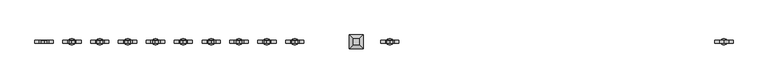
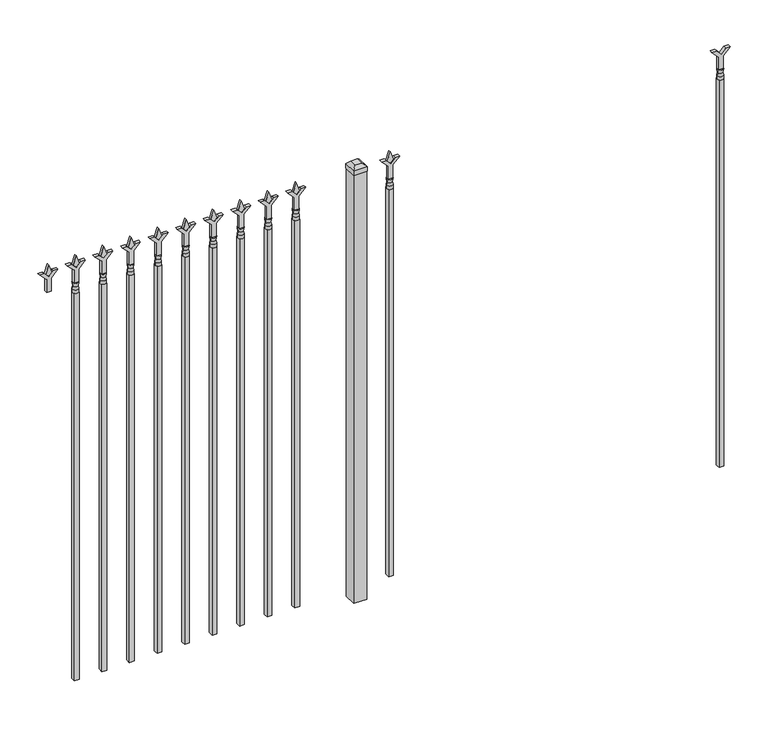
"""IFC4 building model written with IfcOpenShell, lengths in millimetres: railing geometry."""

from ifc_helpers import new_model, si_unit, frame, origin, origin_with_axes, place, context, project, spatial, polyline, circle_curve, outline, extrude, faceted_brep, source, transform, mapped, element, save
from ifc_brep_helpers import plane_surface, cylinder_surface, revolved_surface, advanced_brep


def railing_1ae06a62(model_context):
    return source(origin(), model_context, "Body", "SolidModel", [
        extrude(outline(polyline([(1717.675, -64414.749337), (1771.9457378, -64414.749337), (1799.1355122, -64387.5595625), (1799.1355122, -64405.5200747), (1781.175, -64423.480587), (1799.1355122, -64441.4410992), (1799.1355122, -64459.4016114), (1771.9457378, -64432.211837), (1717.675, -64432.211837), (1717.675, -64414.749337)])), frame((0.0, -9176.0070174, 0.0), z_axis=(0.0, 1.0, 0.0), x_axis=(0.0, 0.0, 1.0)), (0.0, 0.0, 1.0), 12.7),
        advanced_brep(
        [(-64411.574337, -9169.6570174, 1689.1), (-64435.386837, -9169.6570174, 1689.1), (-64435.386837, -9169.6570174, 1676.4), (-64411.574337, -9169.6570174, 1676.4), (-64413.7796688, -9169.6570174, 1701.6070585), (-64433.1815051, -9169.6570174, 1701.6070585), (-64411.574337, -9169.6570174, 1717.675), (-64435.386837, -9169.6570174, 1717.675), (-64423.480587, -9169.6570174, 1717.675), (-64423.480587, -9169.6570174, 1676.4)],
        [
            (0, 1, circle_curve(frame((-64423.480587, -9169.6570174, 1689.1), z_axis=(0.0, 0.0, -1.0), x_axis=(-1.0, 0.0, 0.0)), 11.90625)),
            (1, 2),
            (2, 3, circle_curve(frame((-64423.480587, -9169.6570174, 1676.4), z_axis=(0.0, 0.0, 1.0), x_axis=(-1.0, 0.0, 0.0)), 11.90625)),
            (3, 0),
            (1, 0, circle_curve(frame((-64423.480587, -9169.6570174, 1689.1), z_axis=(0.0, 0.0, -1.0), x_axis=(-1.0, 0.0, 0.0)), 11.90625)),
            (3, 2, circle_curve(frame((-64423.480587, -9169.6570174, 1676.4), z_axis=(0.0, 0.0, 1.0), x_axis=(-1.0, 0.0, 0.0)), 11.90625)),
            (4, 5, circle_curve(frame((-64423.480587, -9169.6570174, 1701.6070585), z_axis=(0.0, 0.0, -1.0), x_axis=(-1.0, 0.0, 0.0)), 9.7009181)),
            (5, 1),
            (0, 4),
            (5, 4, circle_curve(frame((-64423.480587, -9169.6570174, 1701.6070585), z_axis=(0.0, 0.0, -1.0), x_axis=(-1.0, 0.0, 0.0)), 9.7009181)),
            (6, 7, circle_curve(frame((-64423.480587, -9169.6570174, 1717.675), z_axis=(0.0, 0.0, -1.0), x_axis=(-1.0, 0.0, 0.0)), 11.90625)),
            (7, 5),
            (4, 6),
            (7, 6, circle_curve(frame((-64423.480587, -9169.6570174, 1717.675), z_axis=(0.0, 0.0, -1.0), x_axis=(-1.0, 0.0, 0.0)), 11.90625)),
            (8, 7),
            (6, 8),
            (2, 9),
            (9, 3),
        ],
        [
            cylinder_surface(frame((-64423.480587, -9169.6570174, 1676.4), z_axis=(0.0, 0.0, 1.0), x_axis=(-1.0, 0.0, 0.0)), 11.90625),
            revolved_surface(polyline([(-64435.386837, -9169.6570174, 1689.1), (-64433.1815051, -9169.6570174, 1701.6070585)]), (-64423.480587, -9169.6570174, 1676.4), (0.0, 0.0, 1.0)),
            revolved_surface(polyline([(-64433.1815051, -9169.6570174, 1701.6070585), (-64435.386837, -9169.6570174, 1717.675)]), (-64423.480587, -9169.6570174, 1676.4), (0.0, 0.0, 1.0)),
            plane_surface(frame((-64423.480587, -9169.6570174, 1717.675), z_axis=(0.0, 0.0, 1.0), x_axis=(-1.0, 0.0, 0.0))),
            plane_surface(frame((-64423.480587, -9169.6570174, 1676.4), z_axis=(0.0, 0.0, -1.0), x_axis=(-1.0, 0.0, 0.0))),
        ],
        [
            (0, [[1, 2, 3, 4]]),
            (0, [[5, -4, 6, -2]]),
            (1, [[7, 8, -1, 9]]),
            (1, [[10, -9, -5, -8]]),
            (2, [[11, 12, -7, 13]]),
            (2, [[14, -13, -10, -12]]),
            (3, [[15, -11, 16]]),
            (3, [[-16, -14, -15]]),
            (4, [[-3, 17, 18]]),
            (4, [[-6, -18, -17]]),
        ],
    ),
        extrude(outline(polyline([(-64433.005587, -9160.1320174), (-64413.955587, -9160.1320174), (-64413.955587, -9179.1820174), (-64433.005587, -9179.1820174), (-64433.005587, -9160.1320174)])), frame((0.0, 0.0, 50.8), z_axis=(0.0, 0.0, 1.0), x_axis=(1.0, 0.0, 0.0)), (0.0, 0.0, 1.0), 1625.6),
        extrude(outline(polyline([(1793.08125, -65722.849337), (1828.8, -65734.755587), (1793.08125, -65746.661837), (1781.175, -65734.755587), (1793.08125, -65722.849337)])), frame((0.0, -9174.4195174, 0.0), z_axis=(0.0, 1.0, 0.0), x_axis=(0.0, 0.0, 1.0)), (0.0, 0.0, 1.0), 9.525),
        extrude(outline(polyline([(1717.675, -65726.024337), (1771.9457378, -65726.024337), (1799.1355122, -65698.8345625), (1799.1355122, -65716.7950747), (1781.175, -65734.755587), (1799.1355122, -65752.7160992), (1799.1355122, -65770.6766114), (1771.9457378, -65743.486837), (1717.675, -65743.486837), (1717.675, -65726.024337)])), frame((0.0, -9176.0070174, 0.0), z_axis=(0.0, 1.0, 0.0), x_axis=(0.0, 0.0, 1.0)), (0.0, 0.0, 1.0), 12.7),
        advanced_brep(
        [(-65722.849337, -9169.6570174, 1689.1), (-65746.661837, -9169.6570174, 1689.1), (-65746.661837, -9169.6570174, 1676.4), (-65722.849337, -9169.6570174, 1676.4), (-65725.0546688, -9169.6570174, 1701.6070585), (-65744.4565051, -9169.6570174, 1701.6070585), (-65722.849337, -9169.6570174, 1717.675), (-65746.661837, -9169.6570174, 1717.675), (-65734.755587, -9169.6570174, 1717.675), (-65734.755587, -9169.6570174, 1676.4)],
        [
            (0, 1, circle_curve(frame((-65734.755587, -9169.6570174, 1689.1), z_axis=(0.0, 0.0, -1.0), x_axis=(-1.0, 0.0, 0.0)), 11.90625)),
            (1, 2),
            (2, 3, circle_curve(frame((-65734.755587, -9169.6570174, 1676.4), z_axis=(0.0, 0.0, 1.0), x_axis=(-1.0, 0.0, 0.0)), 11.90625)),
            (3, 0),
            (1, 0, circle_curve(frame((-65734.755587, -9169.6570174, 1689.1), z_axis=(0.0, 0.0, -1.0), x_axis=(-1.0, 0.0, 0.0)), 11.90625)),
            (3, 2, circle_curve(frame((-65734.755587, -9169.6570174, 1676.4), z_axis=(0.0, 0.0, 1.0), x_axis=(-1.0, 0.0, 0.0)), 11.90625)),
            (4, 5, circle_curve(frame((-65734.755587, -9169.6570174, 1701.6070585), z_axis=(0.0, 0.0, -1.0), x_axis=(-1.0, 0.0, 0.0)), 9.7009181)),
            (5, 1),
            (0, 4),
            (5, 4, circle_curve(frame((-65734.755587, -9169.6570174, 1701.6070585), z_axis=(0.0, 0.0, -1.0), x_axis=(-1.0, 0.0, 0.0)), 9.7009181)),
            (6, 7, circle_curve(frame((-65734.755587, -9169.6570174, 1717.675), z_axis=(0.0, 0.0, -1.0), x_axis=(-1.0, 0.0, 0.0)), 11.90625)),
            (7, 5),
            (4, 6),
            (7, 6, circle_curve(frame((-65734.755587, -9169.6570174, 1717.675), z_axis=(0.0, 0.0, -1.0), x_axis=(-1.0, 0.0, 0.0)), 11.90625)),
            (8, 7),
            (6, 8),
            (2, 9),
            (9, 3),
        ],
        [
            cylinder_surface(frame((-65734.755587, -9169.6570174, 1676.4), z_axis=(0.0, 0.0, 1.0), x_axis=(-1.0, 0.0, 0.0)), 11.90625),
            revolved_surface(polyline([(-65746.661837, -9169.6570174, 1689.1), (-65744.4565051, -9169.6570174, 1701.6070585)]), (-65734.755587, -9169.6570174, 1676.4), (0.0, 0.0, 1.0)),
            revolved_surface(polyline([(-65744.4565051, -9169.6570174, 1701.6070585), (-65746.661837, -9169.6570174, 1717.675)]), (-65734.755587, -9169.6570174, 1676.4), (0.0, 0.0, 1.0)),
            plane_surface(frame((-65734.755587, -9169.6570174, 1717.675), z_axis=(0.0, 0.0, 1.0), x_axis=(-1.0, 0.0, 0.0))),
            plane_surface(frame((-65734.755587, -9169.6570174, 1676.4), z_axis=(0.0, 0.0, -1.0), x_axis=(-1.0, 0.0, 0.0))),
        ],
        [
            (0, [[1, 2, 3, 4]]),
            (0, [[5, -4, 6, -2]]),
            (1, [[7, 8, -1, 9]]),
            (1, [[10, -9, -5, -8]]),
            (2, [[11, 12, -7, 13]]),
            (2, [[14, -13, -10, -12]]),
            (3, [[15, -11, 16]]),
            (3, [[-16, -14, -15]]),
            (4, [[-3, 17, 18]]),
            (4, [[-6, -18, -17]]),
        ],
    ),
        extrude(outline(polyline([(-65744.280587, -9160.1320174), (-65725.230587, -9160.1320174), (-65725.230587, -9179.1820174), (-65744.280587, -9179.1820174), (-65744.280587, -9160.1320174)])), frame((0.0, 0.0, 50.8), z_axis=(0.0, 0.0, 1.0), x_axis=(1.0, 0.0, 0.0)), (0.0, 0.0, 1.0), 1625.6),
        extrude(outline(polyline([(-65841.118087, -9144.2570174), (-65841.118087, -9195.0570174), (-65891.918087, -9195.0570174), (-65891.918087, -9144.2570174), (-65841.118087, -9144.2570174)])), origin_with_axes(), (0.0, 0.0, 1.0), 1797.05),
        faceted_brep([(-65893.505587, -9142.6695174, 1816.1), (-65893.505587, -9142.6695174, 1797.05), (-65893.505587, -9196.6445174, 1797.05), (-65893.505587, -9196.6445174, 1816.1), (-65880.805587, -9155.3695174, 1828.8), (-65880.805587, -9183.9445174, 1828.8), (-65839.530587, -9196.6445174, 1797.05), (-65839.530587, -9196.6445174, 1816.1), (-65852.230587, -9183.9445174, 1828.8), (-65839.530587, -9142.6695174, 1797.05), (-65839.530587, -9142.6695174, 1816.1), (-65852.230587, -9155.3695174, 1828.8)], [[[0, 1, 2, 3]], [[4, 0, 3, 5]], [[3, 2, 6, 7]], [[5, 3, 7, 8]], [[7, 6, 9, 10]], [[8, 7, 10, 11]], [[10, 9, 1, 0]], [[11, 10, 0, 4]], [[5, 8, 11, 4]], [[1, 9, 6, 2]]]),
        extrude(outline(polyline([(1793.08125, -66095.6472536), (1828.8, -66107.5535036), (1793.08125, -66119.4597536), (1781.175, -66107.5535036), (1793.08125, -66095.6472536)])), frame((0.0, -9174.4195174, 0.0), z_axis=(0.0, 1.0, 0.0), x_axis=(0.0, 0.0, 1.0)), (0.0, 0.0, 1.0), 9.525),
        extrude(outline(polyline([(1717.675, -66098.8222536), (1771.9457378, -66098.8222536), (1799.1355122, -66071.6324791), (1799.1355122, -66089.5929914), (1781.175, -66107.5535036), (1799.1355122, -66125.5140159), (1799.1355122, -66143.4745281), (1771.9457378, -66116.2847536), (1717.675, -66116.2847536), (1717.675, -66098.8222536)])), frame((0.0, -9176.0070174, 0.0), z_axis=(0.0, 1.0, 0.0), x_axis=(0.0, 0.0, 1.0)), (0.0, 0.0, 1.0), 12.7),
        advanced_brep(
        [(-66095.6472536, -9169.6570174, 1689.1), (-66119.4597536, -9169.6570174, 1689.1), (-66119.4597536, -9169.6570174, 1676.4), (-66095.6472536, -9169.6570174, 1676.4), (-66097.8525855, -9169.6570174, 1701.6070585), (-66117.2544218, -9169.6570174, 1701.6070585), (-66095.6472536, -9169.6570174, 1717.675), (-66119.4597536, -9169.6570174, 1717.675), (-66107.5535036, -9169.6570174, 1717.675), (-66107.5535036, -9169.6570174, 1676.4)],
        [
            (0, 1, circle_curve(frame((-66107.5535036, -9169.6570174, 1689.1), z_axis=(0.0, 0.0, -1.0), x_axis=(-1.0, 0.0, 0.0)), 11.90625)),
            (1, 2),
            (2, 3, circle_curve(frame((-66107.5535036, -9169.6570174, 1676.4), z_axis=(0.0, 0.0, 1.0), x_axis=(-1.0, 0.0, 0.0)), 11.90625)),
            (3, 0),
            (1, 0, circle_curve(frame((-66107.5535036, -9169.6570174, 1689.1), z_axis=(0.0, 0.0, -1.0), x_axis=(-1.0, 0.0, 0.0)), 11.90625)),
            (3, 2, circle_curve(frame((-66107.5535036, -9169.6570174, 1676.4), z_axis=(0.0, 0.0, 1.0), x_axis=(-1.0, 0.0, 0.0)), 11.90625)),
            (4, 5, circle_curve(frame((-66107.5535036, -9169.6570174, 1701.6070585), z_axis=(0.0, 0.0, -1.0), x_axis=(-1.0, 0.0, 0.0)), 9.7009181)),
            (5, 1),
            (0, 4),
            (5, 4, circle_curve(frame((-66107.5535036, -9169.6570174, 1701.6070585), z_axis=(0.0, 0.0, -1.0), x_axis=(-1.0, 0.0, 0.0)), 9.7009181)),
            (6, 7, circle_curve(frame((-66107.5535036, -9169.6570174, 1717.675), z_axis=(0.0, 0.0, -1.0), x_axis=(-1.0, 0.0, 0.0)), 11.90625)),
            (7, 5),
            (4, 6),
            (7, 6, circle_curve(frame((-66107.5535036, -9169.6570174, 1717.675), z_axis=(0.0, 0.0, -1.0), x_axis=(-1.0, 0.0, 0.0)), 11.90625)),
            (8, 7),
            (6, 8),
            (2, 9),
            (9, 3),
        ],
        [
            cylinder_surface(frame((-66107.5535036, -9169.6570174, 1676.4), z_axis=(0.0, 0.0, 1.0), x_axis=(-1.0, 0.0, 0.0)), 11.90625),
            revolved_surface(polyline([(-66119.4597536, -9169.6570174, 1689.1), (-66117.2544218, -9169.6570174, 1701.6070585)]), (-66107.5535036, -9169.6570174, 1676.4), (0.0, 0.0, 1.0)),
            revolved_surface(polyline([(-66117.2544218, -9169.6570174, 1701.6070585), (-66119.4597536, -9169.6570174, 1717.675)]), (-66107.5535036, -9169.6570174, 1676.4), (0.0, 0.0, 1.0)),
            plane_surface(frame((-66107.5535036, -9169.6570174, 1717.675), z_axis=(0.0, 0.0, 1.0), x_axis=(-1.0, 0.0, 0.0))),
            plane_surface(frame((-66107.5535036, -9169.6570174, 1676.4), z_axis=(0.0, 0.0, -1.0), x_axis=(-1.0, 0.0, 0.0))),
        ],
        [
            (0, [[1, 2, 3, 4]]),
            (0, [[5, -4, 6, -2]]),
            (1, [[7, 8, -1, 9]]),
            (1, [[10, -9, -5, -8]]),
            (2, [[11, 12, -7, 13]]),
            (2, [[14, -13, -10, -12]]),
            (3, [[15, -11, 16]]),
            (3, [[-16, -14, -15]]),
            (4, [[-3, 17, 18]]),
            (4, [[-6, -18, -17]]),
        ],
    ),
        extrude(outline(polyline([(-66117.0785036, -9160.1320174), (-66098.0285036, -9160.1320174), (-66098.0285036, -9179.1820174), (-66117.0785036, -9179.1820174), (-66117.0785036, -9160.1320174)])), frame((0.0, 0.0, 50.8), z_axis=(0.0, 0.0, 1.0), x_axis=(1.0, 0.0, 0.0)), (0.0, 0.0, 1.0), 1625.6),
        extrude(outline(polyline([(1793.08125, -66204.9201703), (1828.8, -66216.8264203), (1793.08125, -66228.7326703), (1781.175, -66216.8264203), (1793.08125, -66204.9201703)])), frame((0.0, -9174.4195174, 0.0), z_axis=(0.0, 1.0, 0.0), x_axis=(0.0, 0.0, 1.0)), (0.0, 0.0, 1.0), 9.525),
        extrude(outline(polyline([(1717.675, -66208.0951703), (1771.9457378, -66208.0951703), (1799.1355122, -66180.9053958), (1799.1355122, -66198.8659081), (1781.175, -66216.8264203), (1799.1355122, -66234.7869325), (1799.1355122, -66252.7474448), (1771.9457378, -66225.5576703), (1717.675, -66225.5576703), (1717.675, -66208.0951703)])), frame((0.0, -9176.0070174, 0.0), z_axis=(0.0, 1.0, 0.0), x_axis=(0.0, 0.0, 1.0)), (0.0, 0.0, 1.0), 12.7),
        advanced_brep(
        [(-66204.9201703, -9169.6570174, 1689.1), (-66228.7326703, -9169.6570174, 1689.1), (-66228.7326703, -9169.6570174, 1676.4), (-66204.9201703, -9169.6570174, 1676.4), (-66207.1255022, -9169.6570174, 1701.6070585), (-66226.5273384, -9169.6570174, 1701.6070585), (-66204.9201703, -9169.6570174, 1717.675), (-66228.7326703, -9169.6570174, 1717.675), (-66216.8264203, -9169.6570174, 1717.675), (-66216.8264203, -9169.6570174, 1676.4)],
        [
            (0, 1, circle_curve(frame((-66216.8264203, -9169.6570174, 1689.1), z_axis=(0.0, 0.0, -1.0), x_axis=(-1.0, 0.0, 0.0)), 11.90625)),
            (1, 2),
            (2, 3, circle_curve(frame((-66216.8264203, -9169.6570174, 1676.4), z_axis=(0.0, 0.0, 1.0), x_axis=(-1.0, 0.0, 0.0)), 11.90625)),
            (3, 0),
            (1, 0, circle_curve(frame((-66216.8264203, -9169.6570174, 1689.1), z_axis=(0.0, 0.0, -1.0), x_axis=(-1.0, 0.0, 0.0)), 11.90625)),
            (3, 2, circle_curve(frame((-66216.8264203, -9169.6570174, 1676.4), z_axis=(0.0, 0.0, 1.0), x_axis=(-1.0, 0.0, 0.0)), 11.90625)),
            (4, 5, circle_curve(frame((-66216.8264203, -9169.6570174, 1701.6070585), z_axis=(0.0, 0.0, -1.0), x_axis=(-1.0, 0.0, 0.0)), 9.7009181)),
            (5, 1),
            (0, 4),
            (5, 4, circle_curve(frame((-66216.8264203, -9169.6570174, 1701.6070585), z_axis=(0.0, 0.0, -1.0), x_axis=(-1.0, 0.0, 0.0)), 9.7009181)),
            (6, 7, circle_curve(frame((-66216.8264203, -9169.6570174, 1717.675), z_axis=(0.0, 0.0, -1.0), x_axis=(-1.0, 0.0, 0.0)), 11.90625)),
            (7, 5),
            (4, 6),
            (7, 6, circle_curve(frame((-66216.8264203, -9169.6570174, 1717.675), z_axis=(0.0, 0.0, -1.0), x_axis=(-1.0, 0.0, 0.0)), 11.90625)),
            (8, 7),
            (6, 8),
            (2, 9),
            (9, 3),
        ],
        [
            cylinder_surface(frame((-66216.8264203, -9169.6570174, 1676.4), z_axis=(0.0, 0.0, 1.0), x_axis=(-1.0, 0.0, 0.0)), 11.90625),
            revolved_surface(polyline([(-66228.7326703, -9169.6570174, 1689.1), (-66226.5273384, -9169.6570174, 1701.6070585)]), (-66216.8264203, -9169.6570174, 1676.4), (0.0, 0.0, 1.0)),
            revolved_surface(polyline([(-66226.5273384, -9169.6570174, 1701.6070585), (-66228.7326703, -9169.6570174, 1717.675)]), (-66216.8264203, -9169.6570174, 1676.4), (0.0, 0.0, 1.0)),
            plane_surface(frame((-66216.8264203, -9169.6570174, 1717.675), z_axis=(0.0, 0.0, 1.0), x_axis=(-1.0, 0.0, 0.0))),
            plane_surface(frame((-66216.8264203, -9169.6570174, 1676.4), z_axis=(0.0, 0.0, -1.0), x_axis=(-1.0, 0.0, 0.0))),
        ],
        [
            (0, [[1, 2, 3, 4]]),
            (0, [[5, -4, 6, -2]]),
            (1, [[7, 8, -1, 9]]),
            (1, [[10, -9, -5, -8]]),
            (2, [[11, 12, -7, 13]]),
            (2, [[14, -13, -10, -12]]),
            (3, [[15, -11, 16]]),
            (3, [[-16, -14, -15]]),
            (4, [[-3, 17, 18]]),
            (4, [[-6, -18, -17]]),
        ],
    ),
        extrude(outline(polyline([(-66226.3514203, -9160.1320174), (-66207.3014203, -9160.1320174), (-66207.3014203, -9179.1820174), (-66226.3514203, -9179.1820174), (-66226.3514203, -9160.1320174)])), frame((0.0, 0.0, 50.8), z_axis=(0.0, 0.0, 1.0), x_axis=(1.0, 0.0, 0.0)), (0.0, 0.0, 1.0), 1625.6),
        extrude(outline(polyline([(1793.08125, -66314.193087), (1828.8, -66326.099337), (1793.08125, -66338.005587), (1781.175, -66326.099337), (1793.08125, -66314.193087)])), frame((0.0, -9174.4195174, 0.0), z_axis=(0.0, 1.0, 0.0), x_axis=(0.0, 0.0, 1.0)), (0.0, 0.0, 1.0), 9.525),
        extrude(outline(polyline([(1717.675, -66317.368087), (1771.9457378, -66317.368087), (1799.1355122, -66290.1783125), (1799.1355122, -66308.1388247), (1781.175, -66326.099337), (1799.1355122, -66344.0598492), (1799.1355122, -66362.0203614), (1771.9457378, -66334.830587), (1717.675, -66334.830587), (1717.675, -66317.368087)])), frame((0.0, -9176.0070174, 0.0), z_axis=(0.0, 1.0, 0.0), x_axis=(0.0, 0.0, 1.0)), (0.0, 0.0, 1.0), 12.7),
        advanced_brep(
        [(-66314.193087, -9169.6570174, 1689.1), (-66338.005587, -9169.6570174, 1689.1), (-66338.005587, -9169.6570174, 1676.4), (-66314.193087, -9169.6570174, 1676.4), (-66316.3984188, -9169.6570174, 1701.6070585), (-66335.8002551, -9169.6570174, 1701.6070585), (-66314.193087, -9169.6570174, 1717.675), (-66338.005587, -9169.6570174, 1717.675), (-66326.099337, -9169.6570174, 1717.675), (-66326.099337, -9169.6570174, 1676.4)],
        [
            (0, 1, circle_curve(frame((-66326.099337, -9169.6570174, 1689.1), z_axis=(0.0, 0.0, -1.0), x_axis=(-1.0, 0.0, 0.0)), 11.90625)),
            (1, 2),
            (2, 3, circle_curve(frame((-66326.099337, -9169.6570174, 1676.4), z_axis=(0.0, 0.0, 1.0), x_axis=(-1.0, 0.0, 0.0)), 11.90625)),
            (3, 0),
            (1, 0, circle_curve(frame((-66326.099337, -9169.6570174, 1689.1), z_axis=(0.0, 0.0, -1.0), x_axis=(-1.0, 0.0, 0.0)), 11.90625)),
            (3, 2, circle_curve(frame((-66326.099337, -9169.6570174, 1676.4), z_axis=(0.0, 0.0, 1.0), x_axis=(-1.0, 0.0, 0.0)), 11.90625)),
            (4, 5, circle_curve(frame((-66326.099337, -9169.6570174, 1701.6070585), z_axis=(0.0, 0.0, -1.0), x_axis=(-1.0, 0.0, 0.0)), 9.7009181)),
            (5, 1),
            (0, 4),
            (5, 4, circle_curve(frame((-66326.099337, -9169.6570174, 1701.6070585), z_axis=(0.0, 0.0, -1.0), x_axis=(-1.0, 0.0, 0.0)), 9.7009181)),
            (6, 7, circle_curve(frame((-66326.099337, -9169.6570174, 1717.675), z_axis=(0.0, 0.0, -1.0), x_axis=(-1.0, 0.0, 0.0)), 11.90625)),
            (7, 5),
            (4, 6),
            (7, 6, circle_curve(frame((-66326.099337, -9169.6570174, 1717.675), z_axis=(0.0, 0.0, -1.0), x_axis=(-1.0, 0.0, 0.0)), 11.90625)),
            (8, 7),
            (6, 8),
            (2, 9),
            (9, 3),
        ],
        [
            cylinder_surface(frame((-66326.099337, -9169.6570174, 1676.4), z_axis=(0.0, 0.0, 1.0), x_axis=(-1.0, 0.0, 0.0)), 11.90625),
            revolved_surface(polyline([(-66338.005587, -9169.6570174, 1689.1), (-66335.8002551, -9169.6570174, 1701.6070585)]), (-66326.099337, -9169.6570174, 1676.4), (0.0, 0.0, 1.0)),
            revolved_surface(polyline([(-66335.8002551, -9169.6570174, 1701.6070585), (-66338.005587, -9169.6570174, 1717.675)]), (-66326.099337, -9169.6570174, 1676.4), (0.0, 0.0, 1.0)),
            plane_surface(frame((-66326.099337, -9169.6570174, 1717.675), z_axis=(0.0, 0.0, 1.0), x_axis=(-1.0, 0.0, 0.0))),
            plane_surface(frame((-66326.099337, -9169.6570174, 1676.4), z_axis=(0.0, 0.0, -1.0), x_axis=(-1.0, 0.0, 0.0))),
        ],
        [
            (0, [[1, 2, 3, 4]]),
            (0, [[5, -4, 6, -2]]),
            (1, [[7, 8, -1, 9]]),
            (1, [[10, -9, -5, -8]]),
            (2, [[11, 12, -7, 13]]),
            (2, [[14, -13, -10, -12]]),
            (3, [[15, -11, 16]]),
            (3, [[-16, -14, -15]]),
            (4, [[-3, 17, 18]]),
            (4, [[-6, -18, -17]]),
        ],
    ),
        extrude(outline(polyline([(-66335.624337, -9160.1320174), (-66316.574337, -9160.1320174), (-66316.574337, -9179.1820174), (-66335.624337, -9179.1820174), (-66335.624337, -9160.1320174)])), frame((0.0, 0.0, 50.8), z_axis=(0.0, 0.0, 1.0), x_axis=(1.0, 0.0, 0.0)), (0.0, 0.0, 1.0), 1625.6),
        extrude(outline(polyline([(1793.08125, -66423.4660036), (1828.8, -66435.3722536), (1793.08125, -66447.2785036), (1781.175, -66435.3722536), (1793.08125, -66423.4660036)])), frame((0.0, -9174.4195174, 0.0), z_axis=(0.0, 1.0, 0.0), x_axis=(0.0, 0.0, 1.0)), (0.0, 0.0, 1.0), 9.525),
        extrude(outline(polyline([(1717.675, -66426.6410036), (1771.9457378, -66426.6410036), (1799.1355122, -66399.4512291), (1799.1355122, -66417.4117414), (1781.175, -66435.3722536), (1799.1355122, -66453.3327659), (1799.1355122, -66471.2932781), (1771.9457378, -66444.1035036), (1717.675, -66444.1035036), (1717.675, -66426.6410036)])), frame((0.0, -9176.0070174, 0.0), z_axis=(0.0, 1.0, 0.0), x_axis=(0.0, 0.0, 1.0)), (0.0, 0.0, 1.0), 12.7),
        advanced_brep(
        [(-66423.4660036, -9169.6570174, 1689.1), (-66447.2785036, -9169.6570174, 1689.1), (-66447.2785036, -9169.6570174, 1676.4), (-66423.4660036, -9169.6570174, 1676.4), (-66425.6713355, -9169.6570174, 1701.6070585), (-66445.0731718, -9169.6570174, 1701.6070585), (-66423.4660036, -9169.6570174, 1717.675), (-66447.2785036, -9169.6570174, 1717.675), (-66435.3722536, -9169.6570174, 1717.675), (-66435.3722536, -9169.6570174, 1676.4)],
        [
            (0, 1, circle_curve(frame((-66435.3722536, -9169.6570174, 1689.1), z_axis=(0.0, 0.0, -1.0), x_axis=(-1.0, 0.0, 0.0)), 11.90625)),
            (1, 2),
            (2, 3, circle_curve(frame((-66435.3722536, -9169.6570174, 1676.4), z_axis=(0.0, 0.0, 1.0), x_axis=(-1.0, 0.0, 0.0)), 11.90625)),
            (3, 0),
            (1, 0, circle_curve(frame((-66435.3722536, -9169.6570174, 1689.1), z_axis=(0.0, 0.0, -1.0), x_axis=(-1.0, 0.0, 0.0)), 11.90625)),
            (3, 2, circle_curve(frame((-66435.3722536, -9169.6570174, 1676.4), z_axis=(0.0, 0.0, 1.0), x_axis=(-1.0, 0.0, 0.0)), 11.90625)),
            (4, 5, circle_curve(frame((-66435.3722536, -9169.6570174, 1701.6070585), z_axis=(0.0, 0.0, -1.0), x_axis=(-1.0, 0.0, 0.0)), 9.7009181)),
            (5, 1),
            (0, 4),
            (5, 4, circle_curve(frame((-66435.3722536, -9169.6570174, 1701.6070585), z_axis=(0.0, 0.0, -1.0), x_axis=(-1.0, 0.0, 0.0)), 9.7009181)),
            (6, 7, circle_curve(frame((-66435.3722536, -9169.6570174, 1717.675), z_axis=(0.0, 0.0, -1.0), x_axis=(-1.0, 0.0, 0.0)), 11.90625)),
            (7, 5),
            (4, 6),
            (7, 6, circle_curve(frame((-66435.3722536, -9169.6570174, 1717.675), z_axis=(0.0, 0.0, -1.0), x_axis=(-1.0, 0.0, 0.0)), 11.90625)),
            (8, 7),
            (6, 8),
            (2, 9),
            (9, 3),
        ],
        [
            cylinder_surface(frame((-66435.3722536, -9169.6570174, 1676.4), z_axis=(0.0, 0.0, 1.0), x_axis=(-1.0, 0.0, 0.0)), 11.90625),
            revolved_surface(polyline([(-66447.2785036, -9169.6570174, 1689.1), (-66445.0731718, -9169.6570174, 1701.6070585)]), (-66435.3722536, -9169.6570174, 1676.4), (0.0, 0.0, 1.0)),
            revolved_surface(polyline([(-66445.0731718, -9169.6570174, 1701.6070585), (-66447.2785036, -9169.6570174, 1717.675)]), (-66435.3722536, -9169.6570174, 1676.4), (0.0, 0.0, 1.0)),
            plane_surface(frame((-66435.3722536, -9169.6570174, 1717.675), z_axis=(0.0, 0.0, 1.0), x_axis=(-1.0, 0.0, 0.0))),
            plane_surface(frame((-66435.3722536, -9169.6570174, 1676.4), z_axis=(0.0, 0.0, -1.0), x_axis=(-1.0, 0.0, 0.0))),
        ],
        [
            (0, [[1, 2, 3, 4]]),
            (0, [[5, -4, 6, -2]]),
            (1, [[7, 8, -1, 9]]),
            (1, [[10, -9, -5, -8]]),
            (2, [[11, 12, -7, 13]]),
            (2, [[14, -13, -10, -12]]),
            (3, [[15, -11, 16]]),
            (3, [[-16, -14, -15]]),
            (4, [[-3, 17, 18]]),
            (4, [[-6, -18, -17]]),
        ],
    ),
        extrude(outline(polyline([(-66444.8972536, -9160.1320174), (-66425.8472536, -9160.1320174), (-66425.8472536, -9179.1820174), (-66444.8972536, -9179.1820174), (-66444.8972536, -9160.1320174)])), frame((0.0, 0.0, 50.8), z_axis=(0.0, 0.0, 1.0), x_axis=(1.0, 0.0, 0.0)), (0.0, 0.0, 1.0), 1625.6),
        extrude(outline(polyline([(1793.08125, -66532.7389203), (1828.8, -66544.6451703), (1793.08125, -66556.5514203), (1781.175, -66544.6451703), (1793.08125, -66532.7389203)])), frame((0.0, -9174.4195174, 0.0), z_axis=(0.0, 1.0, 0.0), x_axis=(0.0, 0.0, 1.0)), (0.0, 0.0, 1.0), 9.525),
        extrude(outline(polyline([(1717.675, -66535.9139203), (1771.9457378, -66535.9139203), (1799.1355122, -66508.7241458), (1799.1355122, -66526.6846581), (1781.175, -66544.6451703), (1799.1355122, -66562.6056825), (1799.1355122, -66580.5661948), (1771.9457378, -66553.3764203), (1717.675, -66553.3764203), (1717.675, -66535.9139203)])), frame((0.0, -9176.0070174, 0.0), z_axis=(0.0, 1.0, 0.0), x_axis=(0.0, 0.0, 1.0)), (0.0, 0.0, 1.0), 12.7),
        advanced_brep(
        [(-66532.7389203, -9169.6570174, 1689.1), (-66556.5514203, -9169.6570174, 1689.1), (-66556.5514203, -9169.6570174, 1676.4), (-66532.7389203, -9169.6570174, 1676.4), (-66534.9442522, -9169.6570174, 1701.6070585), (-66554.3460884, -9169.6570174, 1701.6070585), (-66532.7389203, -9169.6570174, 1717.675), (-66556.5514203, -9169.6570174, 1717.675), (-66544.6451703, -9169.6570174, 1717.675), (-66544.6451703, -9169.6570174, 1676.4)],
        [
            (0, 1, circle_curve(frame((-66544.6451703, -9169.6570174, 1689.1), z_axis=(0.0, 0.0, -1.0), x_axis=(-1.0, 0.0, 0.0)), 11.90625)),
            (1, 2),
            (2, 3, circle_curve(frame((-66544.6451703, -9169.6570174, 1676.4), z_axis=(0.0, 0.0, 1.0), x_axis=(-1.0, 0.0, 0.0)), 11.90625)),
            (3, 0),
            (1, 0, circle_curve(frame((-66544.6451703, -9169.6570174, 1689.1), z_axis=(0.0, 0.0, -1.0), x_axis=(-1.0, 0.0, 0.0)), 11.90625)),
            (3, 2, circle_curve(frame((-66544.6451703, -9169.6570174, 1676.4), z_axis=(0.0, 0.0, 1.0), x_axis=(-1.0, 0.0, 0.0)), 11.90625)),
            (4, 5, circle_curve(frame((-66544.6451703, -9169.6570174, 1701.6070585), z_axis=(0.0, 0.0, -1.0), x_axis=(-1.0, 0.0, 0.0)), 9.7009181)),
            (5, 1),
            (0, 4),
            (5, 4, circle_curve(frame((-66544.6451703, -9169.6570174, 1701.6070585), z_axis=(0.0, 0.0, -1.0), x_axis=(-1.0, 0.0, 0.0)), 9.7009181)),
            (6, 7, circle_curve(frame((-66544.6451703, -9169.6570174, 1717.675), z_axis=(0.0, 0.0, -1.0), x_axis=(-1.0, 0.0, 0.0)), 11.90625)),
            (7, 5),
            (4, 6),
            (7, 6, circle_curve(frame((-66544.6451703, -9169.6570174, 1717.675), z_axis=(0.0, 0.0, -1.0), x_axis=(-1.0, 0.0, 0.0)), 11.90625)),
            (8, 7),
            (6, 8),
            (2, 9),
            (9, 3),
        ],
        [
            cylinder_surface(frame((-66544.6451703, -9169.6570174, 1676.4), z_axis=(0.0, 0.0, 1.0), x_axis=(-1.0, 0.0, 0.0)), 11.90625),
            revolved_surface(polyline([(-66556.5514203, -9169.6570174, 1689.1), (-66554.3460884, -9169.6570174, 1701.6070585)]), (-66544.6451703, -9169.6570174, 1676.4), (0.0, 0.0, 1.0)),
            revolved_surface(polyline([(-66554.3460884, -9169.6570174, 1701.6070585), (-66556.5514203, -9169.6570174, 1717.675)]), (-66544.6451703, -9169.6570174, 1676.4), (0.0, 0.0, 1.0)),
            plane_surface(frame((-66544.6451703, -9169.6570174, 1717.675), z_axis=(0.0, 0.0, 1.0), x_axis=(-1.0, 0.0, 0.0))),
            plane_surface(frame((-66544.6451703, -9169.6570174, 1676.4), z_axis=(0.0, 0.0, -1.0), x_axis=(-1.0, 0.0, 0.0))),
        ],
        [
            (0, [[1, 2, 3, 4]]),
            (0, [[5, -4, 6, -2]]),
            (1, [[7, 8, -1, 9]]),
            (1, [[10, -9, -5, -8]]),
            (2, [[11, 12, -7, 13]]),
            (2, [[14, -13, -10, -12]]),
            (3, [[15, -11, 16]]),
            (3, [[-16, -14, -15]]),
            (4, [[-3, 17, 18]]),
            (4, [[-6, -18, -17]]),
        ],
    ),
        extrude(outline(polyline([(-66554.1701703, -9160.1320174), (-66535.1201703, -9160.1320174), (-66535.1201703, -9179.1820174), (-66554.1701703, -9179.1820174), (-66554.1701703, -9160.1320174)])), frame((0.0, 0.0, 50.8), z_axis=(0.0, 0.0, 1.0), x_axis=(1.0, 0.0, 0.0)), (0.0, 0.0, 1.0), 1625.6),
        extrude(outline(polyline([(1793.08125, -66642.011837), (1828.8, -66653.918087), (1793.08125, -66665.824337), (1781.175, -66653.918087), (1793.08125, -66642.011837)])), frame((0.0, -9174.4195174, 0.0), z_axis=(0.0, 1.0, 0.0), x_axis=(0.0, 0.0, 1.0)), (0.0, 0.0, 1.0), 9.525),
        extrude(outline(polyline([(1717.675, -66645.186837), (1771.9457378, -66645.186837), (1799.1355122, -66617.9970625), (1799.1355122, -66635.9575747), (1781.175, -66653.918087), (1799.1355122, -66671.8785992), (1799.1355122, -66689.8391114), (1771.9457378, -66662.649337), (1717.675, -66662.649337), (1717.675, -66645.186837)])), frame((0.0, -9176.0070174, 0.0), z_axis=(0.0, 1.0, 0.0), x_axis=(0.0, 0.0, 1.0)), (0.0, 0.0, 1.0), 12.7),
        advanced_brep(
        [(-66642.011837, -9169.6570174, 1689.1), (-66665.824337, -9169.6570174, 1689.1), (-66665.824337, -9169.6570174, 1676.4), (-66642.011837, -9169.6570174, 1676.4), (-66644.2171688, -9169.6570174, 1701.6070585), (-66663.6190051, -9169.6570174, 1701.6070585), (-66642.011837, -9169.6570174, 1717.675), (-66665.824337, -9169.6570174, 1717.675), (-66653.918087, -9169.6570174, 1717.675), (-66653.918087, -9169.6570174, 1676.4)],
        [
            (0, 1, circle_curve(frame((-66653.918087, -9169.6570174, 1689.1), z_axis=(0.0, 0.0, -1.0), x_axis=(-1.0, 0.0, 0.0)), 11.90625)),
            (1, 2),
            (2, 3, circle_curve(frame((-66653.918087, -9169.6570174, 1676.4), z_axis=(0.0, 0.0, 1.0), x_axis=(-1.0, 0.0, 0.0)), 11.90625)),
            (3, 0),
            (1, 0, circle_curve(frame((-66653.918087, -9169.6570174, 1689.1), z_axis=(0.0, 0.0, -1.0), x_axis=(-1.0, 0.0, 0.0)), 11.90625)),
            (3, 2, circle_curve(frame((-66653.918087, -9169.6570174, 1676.4), z_axis=(0.0, 0.0, 1.0), x_axis=(-1.0, 0.0, 0.0)), 11.90625)),
            (4, 5, circle_curve(frame((-66653.918087, -9169.6570174, 1701.6070585), z_axis=(0.0, 0.0, -1.0), x_axis=(-1.0, 0.0, 0.0)), 9.7009181)),
            (5, 1),
            (0, 4),
            (5, 4, circle_curve(frame((-66653.918087, -9169.6570174, 1701.6070585), z_axis=(0.0, 0.0, -1.0), x_axis=(-1.0, 0.0, 0.0)), 9.7009181)),
            (6, 7, circle_curve(frame((-66653.918087, -9169.6570174, 1717.675), z_axis=(0.0, 0.0, -1.0), x_axis=(-1.0, 0.0, 0.0)), 11.90625)),
            (7, 5),
            (4, 6),
            (7, 6, circle_curve(frame((-66653.918087, -9169.6570174, 1717.675), z_axis=(0.0, 0.0, -1.0), x_axis=(-1.0, 0.0, 0.0)), 11.90625)),
            (8, 7),
            (6, 8),
            (2, 9),
            (9, 3),
        ],
        [
            cylinder_surface(frame((-66653.918087, -9169.6570174, 1676.4), z_axis=(0.0, 0.0, 1.0), x_axis=(-1.0, 0.0, 0.0)), 11.90625),
            revolved_surface(polyline([(-66665.824337, -9169.6570174, 1689.1), (-66663.6190051, -9169.6570174, 1701.6070585)]), (-66653.918087, -9169.6570174, 1676.4), (0.0, 0.0, 1.0)),
            revolved_surface(polyline([(-66663.6190051, -9169.6570174, 1701.6070585), (-66665.824337, -9169.6570174, 1717.675)]), (-66653.918087, -9169.6570174, 1676.4), (0.0, 0.0, 1.0)),
            plane_surface(frame((-66653.918087, -9169.6570174, 1717.675), z_axis=(0.0, 0.0, 1.0), x_axis=(-1.0, 0.0, 0.0))),
            plane_surface(frame((-66653.918087, -9169.6570174, 1676.4), z_axis=(0.0, 0.0, -1.0), x_axis=(-1.0, 0.0, 0.0))),
        ],
        [
            (0, [[1, 2, 3, 4]]),
            (0, [[5, -4, 6, -2]]),
            (1, [[7, 8, -1, 9]]),
            (1, [[10, -9, -5, -8]]),
            (2, [[11, 12, -7, 13]]),
            (2, [[14, -13, -10, -12]]),
            (3, [[15, -11, 16]]),
            (3, [[-16, -14, -15]]),
            (4, [[-3, 17, 18]]),
            (4, [[-6, -18, -17]]),
        ],
    ),
        extrude(outline(polyline([(-66663.443087, -9160.1320174), (-66644.393087, -9160.1320174), (-66644.393087, -9179.1820174), (-66663.443087, -9179.1820174), (-66663.443087, -9160.1320174)])), frame((0.0, 0.0, 50.8), z_axis=(0.0, 0.0, 1.0), x_axis=(1.0, 0.0, 0.0)), (0.0, 0.0, 1.0), 1625.6),
        extrude(outline(polyline([(1793.08125, -66751.2847536), (1828.8, -66763.1910036), (1793.08125, -66775.0972536), (1781.175, -66763.1910036), (1793.08125, -66751.2847536)])), frame((0.0, -9174.4195174, 0.0), z_axis=(0.0, 1.0, 0.0), x_axis=(0.0, 0.0, 1.0)), (0.0, 0.0, 1.0), 9.525),
        extrude(outline(polyline([(1717.675, -66754.4597536), (1771.9457378, -66754.4597536), (1799.1355122, -66727.2699791), (1799.1355122, -66745.2304914), (1781.175, -66763.1910036), (1799.1355122, -66781.1515159), (1799.1355122, -66799.1120281), (1771.9457378, -66771.9222536), (1717.675, -66771.9222536), (1717.675, -66754.4597536)])), frame((0.0, -9176.0070174, 0.0), z_axis=(0.0, 1.0, 0.0), x_axis=(0.0, 0.0, 1.0)), (0.0, 0.0, 1.0), 12.7),
        advanced_brep(
        [(-66751.2847536, -9169.6570174, 1689.1), (-66775.0972536, -9169.6570174, 1689.1), (-66775.0972536, -9169.6570174, 1676.4), (-66751.2847536, -9169.6570174, 1676.4), (-66753.4900855, -9169.6570174, 1701.6070585), (-66772.8919218, -9169.6570174, 1701.6070585), (-66751.2847536, -9169.6570174, 1717.675), (-66775.0972536, -9169.6570174, 1717.675), (-66763.1910036, -9169.6570174, 1717.675), (-66763.1910036, -9169.6570174, 1676.4)],
        [
            (0, 1, circle_curve(frame((-66763.1910036, -9169.6570174, 1689.1), z_axis=(0.0, 0.0, -1.0), x_axis=(-1.0, 0.0, 0.0)), 11.90625)),
            (1, 2),
            (2, 3, circle_curve(frame((-66763.1910036, -9169.6570174, 1676.4), z_axis=(0.0, 0.0, 1.0), x_axis=(-1.0, 0.0, 0.0)), 11.90625)),
            (3, 0),
            (1, 0, circle_curve(frame((-66763.1910036, -9169.6570174, 1689.1), z_axis=(0.0, 0.0, -1.0), x_axis=(-1.0, 0.0, 0.0)), 11.90625)),
            (3, 2, circle_curve(frame((-66763.1910036, -9169.6570174, 1676.4), z_axis=(0.0, 0.0, 1.0), x_axis=(-1.0, 0.0, 0.0)), 11.90625)),
            (4, 5, circle_curve(frame((-66763.1910036, -9169.6570174, 1701.6070585), z_axis=(0.0, 0.0, -1.0), x_axis=(-1.0, 0.0, 0.0)), 9.7009181)),
            (5, 1),
            (0, 4),
            (5, 4, circle_curve(frame((-66763.1910036, -9169.6570174, 1701.6070585), z_axis=(0.0, 0.0, -1.0), x_axis=(-1.0, 0.0, 0.0)), 9.7009181)),
            (6, 7, circle_curve(frame((-66763.1910036, -9169.6570174, 1717.675), z_axis=(0.0, 0.0, -1.0), x_axis=(-1.0, 0.0, 0.0)), 11.90625)),
            (7, 5),
            (4, 6),
            (7, 6, circle_curve(frame((-66763.1910036, -9169.6570174, 1717.675), z_axis=(0.0, 0.0, -1.0), x_axis=(-1.0, 0.0, 0.0)), 11.90625)),
            (8, 7),
            (6, 8),
            (2, 9),
            (9, 3),
        ],
        [
            cylinder_surface(frame((-66763.1910036, -9169.6570174, 1676.4), z_axis=(0.0, 0.0, 1.0), x_axis=(-1.0, 0.0, 0.0)), 11.90625),
            revolved_surface(polyline([(-66775.0972536, -9169.6570174, 1689.1), (-66772.8919218, -9169.6570174, 1701.6070585)]), (-66763.1910036, -9169.6570174, 1676.4), (0.0, 0.0, 1.0)),
            revolved_surface(polyline([(-66772.8919218, -9169.6570174, 1701.6070585), (-66775.0972536, -9169.6570174, 1717.675)]), (-66763.1910036, -9169.6570174, 1676.4), (0.0, 0.0, 1.0)),
            plane_surface(frame((-66763.1910036, -9169.6570174, 1717.675), z_axis=(0.0, 0.0, 1.0), x_axis=(-1.0, 0.0, 0.0))),
            plane_surface(frame((-66763.1910036, -9169.6570174, 1676.4), z_axis=(0.0, 0.0, -1.0), x_axis=(-1.0, 0.0, 0.0))),
        ],
        [
            (0, [[1, 2, 3, 4]]),
            (0, [[5, -4, 6, -2]]),
            (1, [[7, 8, -1, 9]]),
            (1, [[10, -9, -5, -8]]),
            (2, [[11, 12, -7, 13]]),
            (2, [[14, -13, -10, -12]]),
            (3, [[15, -11, 16]]),
            (3, [[-16, -14, -15]]),
            (4, [[-3, 17, 18]]),
            (4, [[-6, -18, -17]]),
        ],
    ),
        extrude(outline(polyline([(-66772.7160036, -9160.1320174), (-66753.6660036, -9160.1320174), (-66753.6660036, -9179.1820174), (-66772.7160036, -9179.1820174), (-66772.7160036, -9160.1320174)])), frame((0.0, 0.0, 50.8), z_axis=(0.0, 0.0, 1.0), x_axis=(1.0, 0.0, 0.0)), (0.0, 0.0, 1.0), 1625.6),
        extrude(outline(polyline([(1793.08125, -66860.5576703), (1828.8, -66872.4639203), (1793.08125, -66884.3701703), (1781.175, -66872.4639203), (1793.08125, -66860.5576703)])), frame((0.0, -9174.4195174, 0.0), z_axis=(0.0, 1.0, 0.0), x_axis=(0.0, 0.0, 1.0)), (0.0, 0.0, 1.0), 9.525),
        extrude(outline(polyline([(1717.675, -66863.7326703), (1771.9457378, -66863.7326703), (1799.1355122, -66836.5428958), (1799.1355122, -66854.5034081), (1781.175, -66872.4639203), (1799.1355122, -66890.4244325), (1799.1355122, -66908.3849448), (1771.9457378, -66881.1951703), (1717.675, -66881.1951703), (1717.675, -66863.7326703)])), frame((0.0, -9176.0070174, 0.0), z_axis=(0.0, 1.0, 0.0), x_axis=(0.0, 0.0, 1.0)), (0.0, 0.0, 1.0), 12.7),
        advanced_brep(
        [(-66860.5576703, -9169.6570174, 1689.1), (-66884.3701703, -9169.6570174, 1689.1), (-66884.3701703, -9169.6570174, 1676.4), (-66860.5576703, -9169.6570174, 1676.4), (-66862.7630022, -9169.6570174, 1701.6070585), (-66882.1648384, -9169.6570174, 1701.6070585), (-66860.5576703, -9169.6570174, 1717.675), (-66884.3701703, -9169.6570174, 1717.675), (-66872.4639203, -9169.6570174, 1717.675), (-66872.4639203, -9169.6570174, 1676.4)],
        [
            (0, 1, circle_curve(frame((-66872.4639203, -9169.6570174, 1689.1), z_axis=(0.0, 0.0, -1.0), x_axis=(-1.0, 0.0, 0.0)), 11.90625)),
            (1, 2),
            (2, 3, circle_curve(frame((-66872.4639203, -9169.6570174, 1676.4), z_axis=(0.0, 0.0, 1.0), x_axis=(-1.0, 0.0, 0.0)), 11.90625)),
            (3, 0),
            (1, 0, circle_curve(frame((-66872.4639203, -9169.6570174, 1689.1), z_axis=(0.0, 0.0, -1.0), x_axis=(-1.0, 0.0, 0.0)), 11.90625)),
            (3, 2, circle_curve(frame((-66872.4639203, -9169.6570174, 1676.4), z_axis=(0.0, 0.0, 1.0), x_axis=(-1.0, 0.0, 0.0)), 11.90625)),
            (4, 5, circle_curve(frame((-66872.4639203, -9169.6570174, 1701.6070585), z_axis=(0.0, 0.0, -1.0), x_axis=(-1.0, 0.0, 0.0)), 9.7009181)),
            (5, 1),
            (0, 4),
            (5, 4, circle_curve(frame((-66872.4639203, -9169.6570174, 1701.6070585), z_axis=(0.0, 0.0, -1.0), x_axis=(-1.0, 0.0, 0.0)), 9.7009181)),
            (6, 7, circle_curve(frame((-66872.4639203, -9169.6570174, 1717.675), z_axis=(0.0, 0.0, -1.0), x_axis=(-1.0, 0.0, 0.0)), 11.90625)),
            (7, 5),
            (4, 6),
            (7, 6, circle_curve(frame((-66872.4639203, -9169.6570174, 1717.675), z_axis=(0.0, 0.0, -1.0), x_axis=(-1.0, 0.0, 0.0)), 11.90625)),
            (8, 7),
            (6, 8),
            (2, 9),
            (9, 3),
        ],
        [
            cylinder_surface(frame((-66872.4639203, -9169.6570174, 1676.4), z_axis=(0.0, 0.0, 1.0), x_axis=(-1.0, 0.0, 0.0)), 11.90625),
            revolved_surface(polyline([(-66884.3701703, -9169.6570174, 1689.1), (-66882.1648384, -9169.6570174, 1701.6070585)]), (-66872.4639203, -9169.6570174, 1676.4), (0.0, 0.0, 1.0)),
            revolved_surface(polyline([(-66882.1648384, -9169.6570174, 1701.6070585), (-66884.3701703, -9169.6570174, 1717.675)]), (-66872.4639203, -9169.6570174, 1676.4), (0.0, 0.0, 1.0)),
            plane_surface(frame((-66872.4639203, -9169.6570174, 1717.675), z_axis=(0.0, 0.0, 1.0), x_axis=(-1.0, 0.0, 0.0))),
            plane_surface(frame((-66872.4639203, -9169.6570174, 1676.4), z_axis=(0.0, 0.0, -1.0), x_axis=(-1.0, 0.0, 0.0))),
        ],
        [
            (0, [[1, 2, 3, 4]]),
            (0, [[5, -4, 6, -2]]),
            (1, [[7, 8, -1, 9]]),
            (1, [[10, -9, -5, -8]]),
            (2, [[11, 12, -7, 13]]),
            (2, [[14, -13, -10, -12]]),
            (3, [[15, -11, 16]]),
            (3, [[-16, -14, -15]]),
            (4, [[-3, 17, 18]]),
            (4, [[-6, -18, -17]]),
        ],
    ),
        extrude(outline(polyline([(-66881.9889203, -9160.1320174), (-66862.9389203, -9160.1320174), (-66862.9389203, -9179.1820174), (-66881.9889203, -9179.1820174), (-66881.9889203, -9160.1320174)])), frame((0.0, 0.0, 50.8), z_axis=(0.0, 0.0, 1.0), x_axis=(1.0, 0.0, 0.0)), (0.0, 0.0, 1.0), 1625.6),
        extrude(outline(polyline([(1793.08125, -66969.830587), (1828.8, -66981.736837), (1793.08125, -66993.643087), (1781.175, -66981.736837), (1793.08125, -66969.830587)])), frame((0.0, -9174.4195174, 0.0), z_axis=(0.0, 1.0, 0.0), x_axis=(0.0, 0.0, 1.0)), (0.0, 0.0, 1.0), 9.525),
        extrude(outline(polyline([(1717.675, -66973.005587), (1771.9457378, -66973.005587), (1799.1355122, -66945.8158125), (1799.1355122, -66963.7763247), (1781.175, -66981.736837), (1799.1355122, -66999.6973492), (1799.1355122, -67017.6578614), (1771.9457378, -66990.468087), (1717.675, -66990.468087), (1717.675, -66973.005587)])), frame((0.0, -9176.0070174, 0.0), z_axis=(0.0, 1.0, 0.0), x_axis=(0.0, 0.0, 1.0)), (0.0, 0.0, 1.0), 12.7),
        advanced_brep(
        [(-66969.830587, -9169.6570174, 1689.1), (-66993.643087, -9169.6570174, 1689.1), (-66993.643087, -9169.6570174, 1676.4), (-66969.830587, -9169.6570174, 1676.4), (-66972.0359188, -9169.6570174, 1701.6070585), (-66991.4377551, -9169.6570174, 1701.6070585), (-66969.830587, -9169.6570174, 1717.675), (-66993.643087, -9169.6570174, 1717.675), (-66981.736837, -9169.6570174, 1717.675), (-66981.736837, -9169.6570174, 1676.4)],
        [
            (0, 1, circle_curve(frame((-66981.736837, -9169.6570174, 1689.1), z_axis=(0.0, 0.0, -1.0), x_axis=(-1.0, 0.0, 0.0)), 11.90625)),
            (1, 2),
            (2, 3, circle_curve(frame((-66981.736837, -9169.6570174, 1676.4), z_axis=(0.0, 0.0, 1.0), x_axis=(-1.0, 0.0, 0.0)), 11.90625)),
            (3, 0),
            (1, 0, circle_curve(frame((-66981.736837, -9169.6570174, 1689.1), z_axis=(0.0, 0.0, -1.0), x_axis=(-1.0, 0.0, 0.0)), 11.90625)),
            (3, 2, circle_curve(frame((-66981.736837, -9169.6570174, 1676.4), z_axis=(0.0, 0.0, 1.0), x_axis=(-1.0, 0.0, 0.0)), 11.90625)),
            (4, 5, circle_curve(frame((-66981.736837, -9169.6570174, 1701.6070585), z_axis=(0.0, 0.0, -1.0), x_axis=(-1.0, 0.0, 0.0)), 9.7009181)),
            (5, 1),
            (0, 4),
            (5, 4, circle_curve(frame((-66981.736837, -9169.6570174, 1701.6070585), z_axis=(0.0, 0.0, -1.0), x_axis=(-1.0, 0.0, 0.0)), 9.7009181)),
            (6, 7, circle_curve(frame((-66981.736837, -9169.6570174, 1717.675), z_axis=(0.0, 0.0, -1.0), x_axis=(-1.0, 0.0, 0.0)), 11.90625)),
            (7, 5),
            (4, 6),
            (7, 6, circle_curve(frame((-66981.736837, -9169.6570174, 1717.675), z_axis=(0.0, 0.0, -1.0), x_axis=(-1.0, 0.0, 0.0)), 11.90625)),
            (8, 7),
            (6, 8),
            (2, 9),
            (9, 3),
        ],
        [
            cylinder_surface(frame((-66981.736837, -9169.6570174, 1676.4), z_axis=(0.0, 0.0, 1.0), x_axis=(-1.0, 0.0, 0.0)), 11.90625),
            revolved_surface(polyline([(-66993.643087, -9169.6570174, 1689.1), (-66991.4377551, -9169.6570174, 1701.6070585)]), (-66981.736837, -9169.6570174, 1676.4), (0.0, 0.0, 1.0)),
            revolved_surface(polyline([(-66991.4377551, -9169.6570174, 1701.6070585), (-66993.643087, -9169.6570174, 1717.675)]), (-66981.736837, -9169.6570174, 1676.4), (0.0, 0.0, 1.0)),
            plane_surface(frame((-66981.736837, -9169.6570174, 1717.675), z_axis=(0.0, 0.0, 1.0), x_axis=(-1.0, 0.0, 0.0))),
            plane_surface(frame((-66981.736837, -9169.6570174, 1676.4), z_axis=(0.0, 0.0, -1.0), x_axis=(-1.0, 0.0, 0.0))),
        ],
        [
            (0, [[1, 2, 3, 4]]),
            (0, [[5, -4, 6, -2]]),
            (1, [[7, 8, -1, 9]]),
            (1, [[10, -9, -5, -8]]),
            (2, [[11, 12, -7, 13]]),
            (2, [[14, -13, -10, -12]]),
            (3, [[15, -11, 16]]),
            (3, [[-16, -14, -15]]),
            (4, [[-3, 17, 18]]),
            (4, [[-6, -18, -17]]),
        ],
    ),
        extrude(outline(polyline([(-66991.261837, -9160.1320174), (-66972.211837, -9160.1320174), (-66972.211837, -9179.1820174), (-66991.261837, -9179.1820174), (-66991.261837, -9160.1320174)])), frame((0.0, 0.0, 50.8), z_axis=(0.0, 0.0, 1.0), x_axis=(1.0, 0.0, 0.0)), (0.0, 0.0, 1.0), 1625.6),
        extrude(outline(polyline([(1793.08125, -67079.1035036), (1828.8, -67091.0097536), (1793.08125, -67102.9160036), (1781.175, -67091.0097536), (1793.08125, -67079.1035036)])), frame((0.0, -9174.4195174, 0.0), z_axis=(0.0, 1.0, 0.0), x_axis=(0.0, 0.0, 1.0)), (0.0, 0.0, 1.0), 9.525),
        extrude(outline(polyline([(1717.675, -67082.2785036), (1771.9457378, -67082.2785036), (1799.1355122, -67055.0887291), (1799.1355122, -67073.0492414), (1781.175, -67091.0097536), (1799.1355122, -67108.9702659), (1799.1355122, -67126.9307781), (1771.9457378, -67099.7410036), (1717.675, -67099.7410036), (1717.675, -67082.2785036)])), frame((0.0, -9176.0070174, 0.0), z_axis=(0.0, 1.0, 0.0), x_axis=(0.0, 0.0, 1.0)), (0.0, 0.0, 1.0), 12.7),
    ])


if __name__ == "__main__":
    model = new_model("IFC4")
    model_context = context("Model", 3, world=origin())
    ifc_project = project(units=[si_unit("LENGTHUNIT", "METRE", prefix="MILLI")], contexts=[model_context])
    site = spatial("IfcSite", under=ifc_project)
    building = spatial("IfcBuilding", under=site)
    placement = place(None, origin())
    railing_shape = railing_1ae06a62(model_context)
    element("IfcRailing", 1, at=placement, inside=building, context=model_context, shape_type="MappedRepresentation", body=[
        mapped(railing_shape, transform((0.0, 0.0, 0.0), x_axis=(1.0, 0.0, 0.0), y_axis=(0.0, 1.0, 0.0), z_axis=(0.0, 0.0, 1.0))),
    ])
    save(model, "model.ifc")
